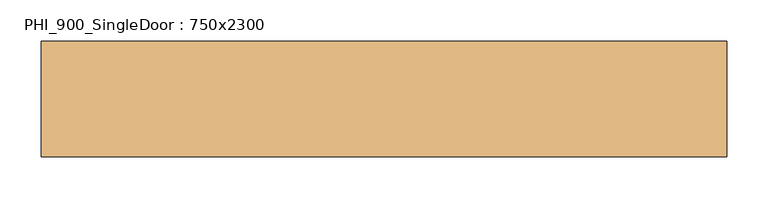
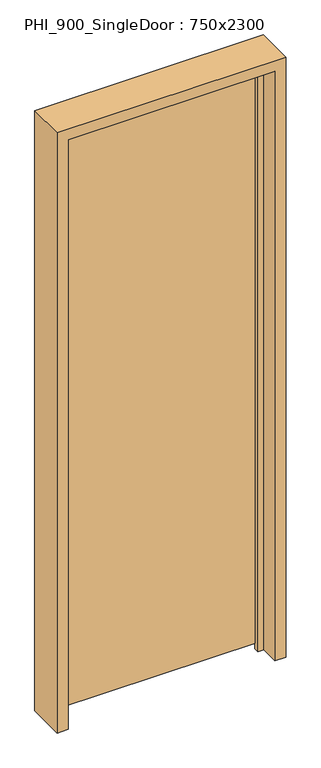
"""IFC4 building model written with IfcOpenShell, lengths in millimetres: door geometry, PHI_900_SingleDoor : 750x2300."""

from ifc_helpers import new_model, si_unit, frame, origin, place, context, project, spatial, polyline, outline, extrude, source, transform, mapped, element, save


def phi_900_singledoor_750x2300_164c33ae(model_context):
    return source(origin(), model_context, "Body", "SweptSolid", [
        extrude(outline(polyline([(373.0, 70.0), (373.0, 20.0), (-373.0, 20.0), (-373.0, 70.0), (373.0, 70.0)])), frame((0.0, 0.0, 20.0), z_axis=(0.0, 0.0, 1.0), x_axis=(1.0, 0.0, 0.0)), (0.0, 0.0, 1.0), 2238.0),
        extrude(outline(polyline([(2300.0, -415.0), (0.0, -415.0), (0.0, -375.0), (2260.0, -375.0), (2260.0, 375.0), (0.0, 375.0), (0.0, 415.0), (2300.0, 415.0), (2300.0, -415.0)])), frame((0.0, -70.0, 0.0), z_axis=(0.0, 1.0, 0.0), x_axis=(0.0, 0.0, 1.0)), (0.0, 0.0, 1.0), 140.0),
        extrude(outline(polyline([(2260.0, -375.0), (0.0, -375.0), (0.0, -355.0), (2240.0, -355.0), (2240.0, 355.0), (0.0, 355.0), (0.0, 375.0), (2260.0, 375.0), (2260.0, -375.0)])), frame((0.0, 0.0, 0.0), z_axis=(0.0, 1.0, 0.0), x_axis=(0.0, 0.0, 1.0)), (0.0, 0.0, 1.0), 20.0),
    ])


if __name__ == "__main__":
    model = new_model("IFC4")
    model_context = context("Model", 3, world=origin())
    ifc_project = project(units=[si_unit("LENGTHUNIT", "METRE", prefix="MILLI")], contexts=[model_context])
    site = spatial("IfcSite", under=ifc_project)
    building = spatial("IfcBuilding", under=site)
    placement = place(None, origin())
    phi_900_singledoor_750x2300_shape = phi_900_singledoor_750x2300_164c33ae(model_context)
    element("IfcDoor", 1, ObjectType="PHI_900_SingleDoor : 750x2300", at=placement, inside=building, context=model_context, shape_type="MappedRepresentation", body=[
        mapped(phi_900_singledoor_750x2300_shape, transform((0.0, 0.0, 0.0), x_axis=(1.0, 0.0, 0.0), y_axis=(0.0, 1.0, 0.0), z_axis=(0.0, 0.0, 1.0))),
    ])
    save(model, "model.ifc")
